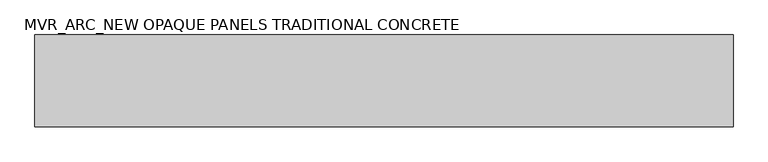
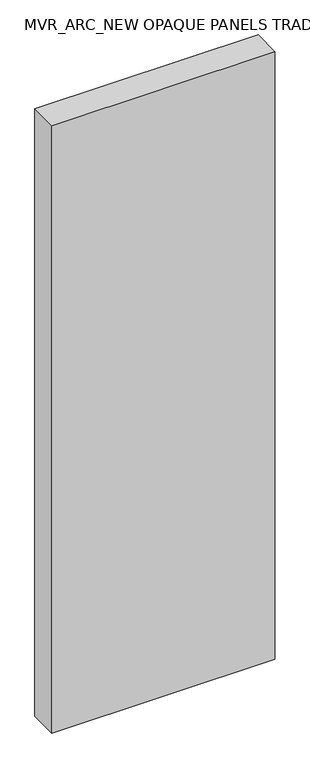
"""IFC4 building model written with IfcOpenShell, lengths in millimetres: plate geometry, MVR_ARC_NEW OPAQUE PANELS TRADITIONAL CONCRETE."""

from ifc_helpers import new_model, si_unit, origin, origin_with_axes, place, context, project, spatial, polyline, outline, extrude, source, transform, mapped, element, save


def mvr_arc_new_opaque_panels_traditional_concrete_4d332859(model_context):
    return source(origin(), model_context, "Body", "SweptSolid", [
        extrude(outline(polyline([(800.0, -150.0), (-800.0, -150.0), (-800.0, 60.0), (800.0, 60.0), (800.0, -150.0)])), origin_with_axes(), (0.0, 0.0, 1.0), 4604.4),
    ])


if __name__ == "__main__":
    model = new_model("IFC4")
    model_context = context("Model", 3, world=origin())
    ifc_project = project(units=[si_unit("LENGTHUNIT", "METRE", prefix="MILLI")], contexts=[model_context])
    site = spatial("IfcSite", under=ifc_project)
    building = spatial("IfcBuilding", under=site)
    placement = place(None, origin())
    mvr_arc_new_opaque_panels_traditional_concrete_shape = mvr_arc_new_opaque_panels_traditional_concrete_4d332859(model_context)
    element("IfcPlate", 1, ObjectType="MVR_ARC_NEW OPAQUE PANELS TRADITIONAL CONCRETE", at=placement, inside=building, context=model_context, shape_type="MappedRepresentation", body=[
        mapped(mvr_arc_new_opaque_panels_traditional_concrete_shape, transform((0.0, 0.0, 0.0), x_axis=(1.0, 0.0, 0.0), y_axis=(0.0, 1.0, 0.0), z_axis=(0.0, 0.0, 1.0))),
    ])
    save(model, "model.ifc")
